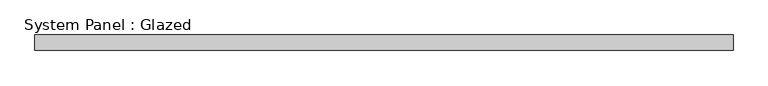
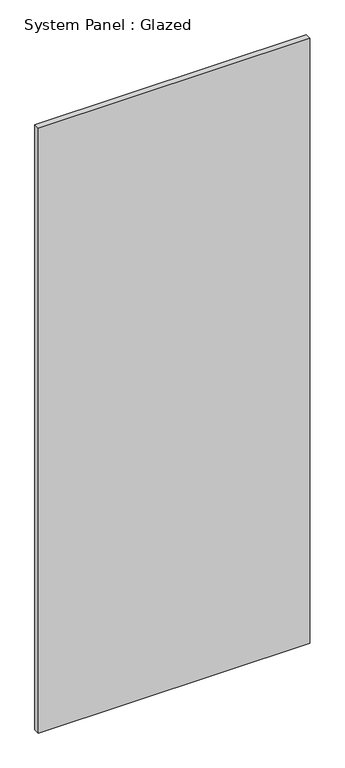
"""IFC4 building model written with IfcOpenShell, lengths in millimetres: plate geometry, System Panel : Glazed."""

from ifc_helpers import new_model, si_unit, origin, origin_with_axes, place, context, project, spatial, polyline, outline, extrude, source, transform, mapped, element, save


def system_panel_glazed_7f9aa17e(model_context):
    return source(origin(), model_context, "Body", "SweptSolid", [
        extrude(outline(polyline([(571.5, -44.45), (-571.5, -44.45), (-571.5, -19.05), (571.5, -19.05), (571.5, -44.45)])), origin_with_axes(), (0.0, 0.0, 1.0), 2692.4),
    ])


if __name__ == "__main__":
    model = new_model("IFC4")
    model_context = context("Model", 3, world=origin())
    ifc_project = project(units=[si_unit("LENGTHUNIT", "METRE", prefix="MILLI")], contexts=[model_context])
    site = spatial("IfcSite", under=ifc_project)
    building = spatial("IfcBuilding", under=site)
    placement = place(None, origin())
    system_panel_glazed_shape = system_panel_glazed_7f9aa17e(model_context)
    element("IfcPlate", 1, ObjectType="System Panel : Glazed", at=placement, inside=building, context=model_context, shape_type="MappedRepresentation", body=[
        mapped(system_panel_glazed_shape, transform((0.0, 0.0, 0.0), x_axis=(1.0, 0.0, 0.0), y_axis=(0.0, 1.0, 0.0), z_axis=(0.0, 0.0, 1.0))),
    ])
    save(model, "model.ifc")
